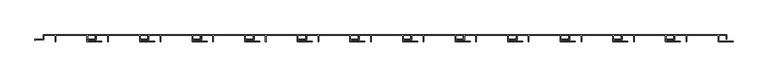
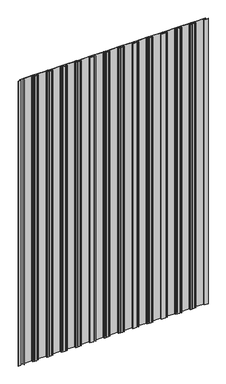
"""IFC4 building model written with IfcOpenShell, lengths in millimetres: proxy geometry."""

from ifc_helpers import new_model, si_unit, point, frame, frame_2d, origin, place, context, project, spatial, polyline, circle_curve, trimmed, segment, composite_curve, outline, extrude, source, transform, mapped, element, save


def generic_models_13b5c3d7(model_context):
    return source(origin(), model_context, "Body", "SweptSolid", [
        extrude(outline(composite_curve([segment(polyline([(2713.7, 0.0), (2713.7, 16.0)]), True, "CONTINUOUS"), segment(trimmed(circle_curve(frame_2d((2713.2, 16.0)), 0.5), [point((2713.7, 16.0))], [point((2713.2, 16.5))], True, "CARTESIAN"), True, "CONTINUOUS"), segment(polyline([(2713.2, 16.5), (2684.2, 16.5)]), True, "CONTINUOUS"), segment(trimmed(circle_curve(frame_2d((2684.2, 16.0)), 0.5), [point((2684.2, 16.5))], [point((2683.7, 16.0))], True, "CARTESIAN"), True, "CONTINUOUS"), segment(polyline([(2683.7, 16.0), (2683.7, 5.3)]), True, "CONTINUOUS"), segment(trimmed(circle_curve(frame_2d((2683.2, 5.3)), 0.5), [point((2683.7, 5.3))], [point((2683.2, 4.8))], False, "CARTESIAN"), True, "CONTINUOUS"), segment(polyline([(2683.2, 4.8), (2661.5, 4.8), (2661.5, 3.6), (2660.0, 3.6), (2660.0, 6.3), (2681.6739146, 6.3)]), True, "CONTINUOUS"), segment(trimmed(circle_curve(frame_2d((2681.6739146, 6.8260854)), 0.5260854), [point((2681.6739146, 6.3))], [point((2682.2, 6.8260854))], True, "CARTESIAN"), True, "CONTINUOUS"), segment(polyline([(2682.2, 6.8260854), (2682.2, 17.5)]), True, "CONTINUOUS"), segment(trimmed(circle_curve(frame_2d((2682.7, 17.5)), 0.5), [point((2682.2, 17.5))], [point((2682.7, 18.0))], False, "CARTESIAN"), True, "CONTINUOUS"), segment(polyline([(2682.7, 18.0), (2821.7, 18.0)]), True, "CONTINUOUS"), segment(trimmed(circle_curve(frame_2d((2821.7, 17.5)), 0.5), [point((2821.7, 18.0))], [point((2822.2, 17.5))], False, "CARTESIAN"), True, "CONTINUOUS"), segment(polyline([(2822.2, 17.5), (2822.2, 6.8), (2820.7, 6.8), (2820.7, 16.0)]), True, "CONTINUOUS"), segment(trimmed(circle_curve(frame_2d((2820.2, 16.0)), 0.5), [point((2820.7, 16.0))], [point((2820.2, 16.5))], True, "CARTESIAN"), True, "CONTINUOUS"), segment(polyline([(2820.2, 16.5), (2800.5, 16.5)]), True, "CONTINUOUS"), segment(trimmed(circle_curve(frame_2d((2800.5, 16.0)), 0.5), [point((2800.5, 16.5))], [point((2800.0, 16.0))], True, "CARTESIAN"), True, "CONTINUOUS"), segment(polyline([(2800.0, 16.0), (2800.0, 2.0)]), True, "CONTINUOUS"), segment(trimmed(circle_curve(frame_2d((2800.5, 2.0)), 0.5), [point((2800.0, 2.0))], [point((2800.5, 1.5))], True, "CARTESIAN"), True, "CONTINUOUS"), segment(polyline([(2800.5, 1.5), (2831.5071068, 1.5), (2838.5, 1.5), (2838.5, 0.0), (2799.0, 0.0)]), True, "CONTINUOUS"), segment(trimmed(circle_curve(frame_2d((2799.0, 0.5)), 0.5), [point((2799.0, 0.0))], [point((2798.5, 0.5))], False, "CARTESIAN"), True, "CONTINUOUS"), segment(polyline([(2798.5, 0.5), (2798.5, 16.0)]), True, "CONTINUOUS"), segment(trimmed(circle_curve(frame_2d((2798.0, 16.0)), 0.5), [point((2798.5, 16.0))], [point((2798.0, 16.5))], True, "CARTESIAN"), True, "CONTINUOUS"), segment(polyline([(2798.0, 16.5), (2715.7106183, 16.5)]), True, "CONTINUOUS"), segment(trimmed(circle_curve(frame_2d((2715.7106183, 15.9893817)), 0.5106183), [point((2715.7106183, 16.5))], [point((2715.2, 15.9893817))], True, "CARTESIAN"), True, "CONTINUOUS"), segment(polyline([(2715.2, 15.9893817), (2715.2, 9.4086959)]), True, "CONTINUOUS"), segment(trimmed(circle_curve(frame_2d((2715.2, 9.1086959)), 0.3), [point((2715.2, 9.4086959))], [point((2715.2, 8.8086959))], False, "CARTESIAN"), True, "CONTINUOUS"), segment(polyline([(2715.2, 8.8086959), (2715.2, 0.0), (2713.7, 0.0)]), True, "CONTINUOUS")], self_intersect=False)), frame((0.0, 0.0, 50.0), z_axis=(0.0, 0.0, 1.0), x_axis=(1.0, 0.0, 0.0)), (0.0, 0.0, 1.0), 2950.0),
        extrude(outline(composite_curve([segment(polyline([(2573.7, 0.0), (2573.7, 16.0)]), True, "CONTINUOUS"), segment(trimmed(circle_curve(frame_2d((2573.2, 16.0)), 0.5), [point((2573.7, 16.0))], [point((2573.2, 16.5))], True, "CARTESIAN"), True, "CONTINUOUS"), segment(polyline([(2573.2, 16.5), (2544.2, 16.5)]), True, "CONTINUOUS"), segment(trimmed(circle_curve(frame_2d((2544.2, 16.0)), 0.5), [point((2544.2, 16.5))], [point((2543.7, 16.0))], True, "CARTESIAN"), True, "CONTINUOUS"), segment(polyline([(2543.7, 16.0), (2543.7, 5.3)]), True, "CONTINUOUS"), segment(trimmed(circle_curve(frame_2d((2543.2, 5.3)), 0.5), [point((2543.7, 5.3))], [point((2543.2, 4.8))], False, "CARTESIAN"), True, "CONTINUOUS"), segment(polyline([(2543.2, 4.8), (2521.5, 4.8), (2521.5, 3.6), (2520.0, 3.6), (2520.0, 6.3), (2541.6739146, 6.3)]), True, "CONTINUOUS"), segment(trimmed(circle_curve(frame_2d((2541.6739146, 6.8260854)), 0.5260854), [point((2541.6739146, 6.3))], [point((2542.2, 6.8260854))], True, "CARTESIAN"), True, "CONTINUOUS"), segment(polyline([(2542.2, 6.8260854), (2542.2, 17.5)]), True, "CONTINUOUS"), segment(trimmed(circle_curve(frame_2d((2542.7, 17.5)), 0.5), [point((2542.2, 17.5))], [point((2542.7, 18.0))], False, "CARTESIAN"), True, "CONTINUOUS"), segment(polyline([(2542.7, 18.0), (2681.7, 18.0)]), True, "CONTINUOUS"), segment(trimmed(circle_curve(frame_2d((2681.7, 17.5)), 0.5), [point((2681.7, 18.0))], [point((2682.2, 17.5))], False, "CARTESIAN"), True, "CONTINUOUS"), segment(polyline([(2682.2, 17.5), (2682.2, 6.8), (2680.7, 6.8), (2680.7, 16.0)]), True, "CONTINUOUS"), segment(trimmed(circle_curve(frame_2d((2680.2, 16.0)), 0.5), [point((2680.7, 16.0))], [point((2680.2, 16.5))], True, "CARTESIAN"), True, "CONTINUOUS"), segment(polyline([(2680.2, 16.5), (2660.5, 16.5)]), True, "CONTINUOUS"), segment(trimmed(circle_curve(frame_2d((2660.5, 16.0)), 0.5), [point((2660.5, 16.5))], [point((2660.0, 16.0))], True, "CARTESIAN"), True, "CONTINUOUS"), segment(polyline([(2660.0, 16.0), (2660.0, 2.0)]), True, "CONTINUOUS"), segment(trimmed(circle_curve(frame_2d((2660.5, 2.0)), 0.5), [point((2660.0, 2.0))], [point((2660.5, 1.5))], True, "CARTESIAN"), True, "CONTINUOUS"), segment(polyline([(2660.5, 1.5), (2691.5071068, 1.5), (2698.5, 1.5), (2698.5, 0.0), (2659.0, 0.0)]), True, "CONTINUOUS"), segment(trimmed(circle_curve(frame_2d((2659.0, 0.5)), 0.5), [point((2659.0, 0.0))], [point((2658.5, 0.5))], False, "CARTESIAN"), True, "CONTINUOUS"), segment(polyline([(2658.5, 0.5), (2658.5, 16.0)]), True, "CONTINUOUS"), segment(trimmed(circle_curve(frame_2d((2658.0, 16.0)), 0.5), [point((2658.5, 16.0))], [point((2658.0, 16.5))], True, "CARTESIAN"), True, "CONTINUOUS"), segment(polyline([(2658.0, 16.5), (2575.7106183, 16.5)]), True, "CONTINUOUS"), segment(trimmed(circle_curve(frame_2d((2575.7106183, 15.9893817)), 0.5106183), [point((2575.7106183, 16.5))], [point((2575.2, 15.9893817))], True, "CARTESIAN"), True, "CONTINUOUS"), segment(polyline([(2575.2, 15.9893817), (2575.2, 9.4086959)]), True, "CONTINUOUS"), segment(trimmed(circle_curve(frame_2d((2575.2, 9.1086959)), 0.3), [point((2575.2, 9.4086959))], [point((2575.2, 8.8086959))], False, "CARTESIAN"), True, "CONTINUOUS"), segment(polyline([(2575.2, 8.8086959), (2575.2, 0.0), (2573.7, 0.0)]), True, "CONTINUOUS")], self_intersect=False)), frame((0.0, 0.0, 50.0), z_axis=(0.0, 0.0, 1.0), x_axis=(1.0, 0.0, 0.0)), (0.0, 0.0, 1.0), 2950.0),
        extrude(outline(composite_curve([segment(polyline([(2433.7, 0.0), (2433.7, 16.0)]), True, "CONTINUOUS"), segment(trimmed(circle_curve(frame_2d((2433.2, 16.0)), 0.5), [point((2433.7, 16.0))], [point((2433.2, 16.5))], True, "CARTESIAN"), True, "CONTINUOUS"), segment(polyline([(2433.2, 16.5), (2404.2, 16.5)]), True, "CONTINUOUS"), segment(trimmed(circle_curve(frame_2d((2404.2, 16.0)), 0.5), [point((2404.2, 16.5))], [point((2403.7, 16.0))], True, "CARTESIAN"), True, "CONTINUOUS"), segment(polyline([(2403.7, 16.0), (2403.7, 5.3)]), True, "CONTINUOUS"), segment(trimmed(circle_curve(frame_2d((2403.2, 5.3)), 0.5), [point((2403.7, 5.3))], [point((2403.2, 4.8))], False, "CARTESIAN"), True, "CONTINUOUS"), segment(polyline([(2403.2, 4.8), (2381.5, 4.8), (2381.5, 3.6), (2380.0, 3.6), (2380.0, 6.3), (2401.6739146, 6.3)]), True, "CONTINUOUS"), segment(trimmed(circle_curve(frame_2d((2401.6739146, 6.8260854)), 0.5260854), [point((2401.6739146, 6.3))], [point((2402.2, 6.8260854))], True, "CARTESIAN"), True, "CONTINUOUS"), segment(polyline([(2402.2, 6.8260854), (2402.2, 17.5)]), True, "CONTINUOUS"), segment(trimmed(circle_curve(frame_2d((2402.7, 17.5)), 0.5), [point((2402.2, 17.5))], [point((2402.7, 18.0))], False, "CARTESIAN"), True, "CONTINUOUS"), segment(polyline([(2402.7, 18.0), (2541.7, 18.0)]), True, "CONTINUOUS"), segment(trimmed(circle_curve(frame_2d((2541.7, 17.5)), 0.5), [point((2541.7, 18.0))], [point((2542.2, 17.5))], False, "CARTESIAN"), True, "CONTINUOUS"), segment(polyline([(2542.2, 17.5), (2542.2, 6.8), (2540.7, 6.8), (2540.7, 16.0)]), True, "CONTINUOUS"), segment(trimmed(circle_curve(frame_2d((2540.2, 16.0)), 0.5), [point((2540.7, 16.0))], [point((2540.2, 16.5))], True, "CARTESIAN"), True, "CONTINUOUS"), segment(polyline([(2540.2, 16.5), (2520.5, 16.5)]), True, "CONTINUOUS"), segment(trimmed(circle_curve(frame_2d((2520.5, 16.0)), 0.5), [point((2520.5, 16.5))], [point((2520.0, 16.0))], True, "CARTESIAN"), True, "CONTINUOUS"), segment(polyline([(2520.0, 16.0), (2520.0, 2.0)]), True, "CONTINUOUS"), segment(trimmed(circle_curve(frame_2d((2520.5, 2.0)), 0.5), [point((2520.0, 2.0))], [point((2520.5, 1.5))], True, "CARTESIAN"), True, "CONTINUOUS"), segment(polyline([(2520.5, 1.5), (2551.5071068, 1.5), (2558.5, 1.5), (2558.5, 0.0), (2519.0, 0.0)]), True, "CONTINUOUS"), segment(trimmed(circle_curve(frame_2d((2519.0, 0.5)), 0.5), [point((2519.0, 0.0))], [point((2518.5, 0.5))], False, "CARTESIAN"), True, "CONTINUOUS"), segment(polyline([(2518.5, 0.5), (2518.5, 16.0)]), True, "CONTINUOUS"), segment(trimmed(circle_curve(frame_2d((2518.0, 16.0)), 0.5), [point((2518.5, 16.0))], [point((2518.0, 16.5))], True, "CARTESIAN"), True, "CONTINUOUS"), segment(polyline([(2518.0, 16.5), (2435.7106183, 16.5)]), True, "CONTINUOUS"), segment(trimmed(circle_curve(frame_2d((2435.7106183, 15.9893817)), 0.5106183), [point((2435.7106183, 16.5))], [point((2435.2, 15.9893817))], True, "CARTESIAN"), True, "CONTINUOUS"), segment(polyline([(2435.2, 15.9893817), (2435.2, 9.4086959)]), True, "CONTINUOUS"), segment(trimmed(circle_curve(frame_2d((2435.2, 9.1086959)), 0.3), [point((2435.2, 9.4086959))], [point((2435.2, 8.8086959))], False, "CARTESIAN"), True, "CONTINUOUS"), segment(polyline([(2435.2, 8.8086959), (2435.2, 0.0), (2433.7, 0.0)]), True, "CONTINUOUS")], self_intersect=False)), frame((0.0, 0.0, 50.0), z_axis=(0.0, 0.0, 1.0), x_axis=(1.0, 0.0, 0.0)), (0.0, 0.0, 1.0), 2950.0),
        extrude(outline(composite_curve([segment(polyline([(2293.7, 0.0), (2293.7, 16.0)]), True, "CONTINUOUS"), segment(trimmed(circle_curve(frame_2d((2293.2, 16.0)), 0.5), [point((2293.7, 16.0))], [point((2293.2, 16.5))], True, "CARTESIAN"), True, "CONTINUOUS"), segment(polyline([(2293.2, 16.5), (2264.2, 16.5)]), True, "CONTINUOUS"), segment(trimmed(circle_curve(frame_2d((2264.2, 16.0)), 0.5), [point((2264.2, 16.5))], [point((2263.7, 16.0))], True, "CARTESIAN"), True, "CONTINUOUS"), segment(polyline([(2263.7, 16.0), (2263.7, 5.3)]), True, "CONTINUOUS"), segment(trimmed(circle_curve(frame_2d((2263.2, 5.3)), 0.5), [point((2263.7, 5.3))], [point((2263.2, 4.8))], False, "CARTESIAN"), True, "CONTINUOUS"), segment(polyline([(2263.2, 4.8), (2241.5, 4.8), (2241.5, 3.6), (2240.0, 3.6), (2240.0, 6.3), (2261.6739146, 6.3)]), True, "CONTINUOUS"), segment(trimmed(circle_curve(frame_2d((2261.6739146, 6.8260854)), 0.5260854), [point((2261.6739146, 6.3))], [point((2262.2, 6.8260854))], True, "CARTESIAN"), True, "CONTINUOUS"), segment(polyline([(2262.2, 6.8260854), (2262.2, 17.5)]), True, "CONTINUOUS"), segment(trimmed(circle_curve(frame_2d((2262.7, 17.5)), 0.5), [point((2262.2, 17.5))], [point((2262.7, 18.0))], False, "CARTESIAN"), True, "CONTINUOUS"), segment(polyline([(2262.7, 18.0), (2401.7, 18.0)]), True, "CONTINUOUS"), segment(trimmed(circle_curve(frame_2d((2401.7, 17.5)), 0.5), [point((2401.7, 18.0))], [point((2402.2, 17.5))], False, "CARTESIAN"), True, "CONTINUOUS"), segment(polyline([(2402.2, 17.5), (2402.2, 6.8), (2400.7, 6.8), (2400.7, 16.0)]), True, "CONTINUOUS"), segment(trimmed(circle_curve(frame_2d((2400.2, 16.0)), 0.5), [point((2400.7, 16.0))], [point((2400.2, 16.5))], True, "CARTESIAN"), True, "CONTINUOUS"), segment(polyline([(2400.2, 16.5), (2380.5, 16.5)]), True, "CONTINUOUS"), segment(trimmed(circle_curve(frame_2d((2380.5, 16.0)), 0.5), [point((2380.5, 16.5))], [point((2380.0, 16.0))], True, "CARTESIAN"), True, "CONTINUOUS"), segment(polyline([(2380.0, 16.0), (2380.0, 2.0)]), True, "CONTINUOUS"), segment(trimmed(circle_curve(frame_2d((2380.5, 2.0)), 0.5), [point((2380.0, 2.0))], [point((2380.5, 1.5))], True, "CARTESIAN"), True, "CONTINUOUS"), segment(polyline([(2380.5, 1.5), (2411.5071068, 1.5), (2418.5, 1.5), (2418.5, 0.0), (2379.0, 0.0)]), True, "CONTINUOUS"), segment(trimmed(circle_curve(frame_2d((2379.0, 0.5)), 0.5), [point((2379.0, 0.0))], [point((2378.5, 0.5))], False, "CARTESIAN"), True, "CONTINUOUS"), segment(polyline([(2378.5, 0.5), (2378.5, 16.0)]), True, "CONTINUOUS"), segment(trimmed(circle_curve(frame_2d((2378.0, 16.0)), 0.5), [point((2378.5, 16.0))], [point((2378.0, 16.5))], True, "CARTESIAN"), True, "CONTINUOUS"), segment(polyline([(2378.0, 16.5), (2295.7106183, 16.5)]), True, "CONTINUOUS"), segment(trimmed(circle_curve(frame_2d((2295.7106183, 15.9893817)), 0.5106183), [point((2295.7106183, 16.5))], [point((2295.2, 15.9893817))], True, "CARTESIAN"), True, "CONTINUOUS"), segment(polyline([(2295.2, 15.9893817), (2295.2, 9.4086959)]), True, "CONTINUOUS"), segment(trimmed(circle_curve(frame_2d((2295.2, 9.1086959)), 0.3), [point((2295.2, 9.4086959))], [point((2295.2, 8.8086959))], False, "CARTESIAN"), True, "CONTINUOUS"), segment(polyline([(2295.2, 8.8086959), (2295.2, 0.0), (2293.7, 0.0)]), True, "CONTINUOUS")], self_intersect=False)), frame((0.0, 0.0, 50.0), z_axis=(0.0, 0.0, 1.0), x_axis=(1.0, 0.0, 0.0)), (0.0, 0.0, 1.0), 2950.0),
        extrude(outline(composite_curve([segment(polyline([(2153.7, 0.0), (2153.7, 16.0)]), True, "CONTINUOUS"), segment(trimmed(circle_curve(frame_2d((2153.2, 16.0)), 0.5), [point((2153.7, 16.0))], [point((2153.2, 16.5))], True, "CARTESIAN"), True, "CONTINUOUS"), segment(polyline([(2153.2, 16.5), (2124.2, 16.5)]), True, "CONTINUOUS"), segment(trimmed(circle_curve(frame_2d((2124.2, 16.0)), 0.5), [point((2124.2, 16.5))], [point((2123.7, 16.0))], True, "CARTESIAN"), True, "CONTINUOUS"), segment(polyline([(2123.7, 16.0), (2123.7, 5.3)]), True, "CONTINUOUS"), segment(trimmed(circle_curve(frame_2d((2123.2, 5.3)), 0.5), [point((2123.7, 5.3))], [point((2123.2, 4.8))], False, "CARTESIAN"), True, "CONTINUOUS"), segment(polyline([(2123.2, 4.8), (2101.5, 4.8), (2101.5, 3.6), (2100.0, 3.6), (2100.0, 6.3), (2121.6739146, 6.3)]), True, "CONTINUOUS"), segment(trimmed(circle_curve(frame_2d((2121.6739146, 6.8260854)), 0.5260854), [point((2121.6739146, 6.3))], [point((2122.2, 6.8260854))], True, "CARTESIAN"), True, "CONTINUOUS"), segment(polyline([(2122.2, 6.8260854), (2122.2, 17.5)]), True, "CONTINUOUS"), segment(trimmed(circle_curve(frame_2d((2122.7, 17.5)), 0.5), [point((2122.2, 17.5))], [point((2122.7, 18.0))], False, "CARTESIAN"), True, "CONTINUOUS"), segment(polyline([(2122.7, 18.0), (2261.7, 18.0)]), True, "CONTINUOUS"), segment(trimmed(circle_curve(frame_2d((2261.7, 17.5)), 0.5), [point((2261.7, 18.0))], [point((2262.2, 17.5))], False, "CARTESIAN"), True, "CONTINUOUS"), segment(polyline([(2262.2, 17.5), (2262.2, 6.8), (2260.7, 6.8), (2260.7, 16.0)]), True, "CONTINUOUS"), segment(trimmed(circle_curve(frame_2d((2260.2, 16.0)), 0.5), [point((2260.7, 16.0))], [point((2260.2, 16.5))], True, "CARTESIAN"), True, "CONTINUOUS"), segment(polyline([(2260.2, 16.5), (2240.5, 16.5)]), True, "CONTINUOUS"), segment(trimmed(circle_curve(frame_2d((2240.5, 16.0)), 0.5), [point((2240.5, 16.5))], [point((2240.0, 16.0))], True, "CARTESIAN"), True, "CONTINUOUS"), segment(polyline([(2240.0, 16.0), (2240.0, 2.0)]), True, "CONTINUOUS"), segment(trimmed(circle_curve(frame_2d((2240.5, 2.0)), 0.5), [point((2240.0, 2.0))], [point((2240.5, 1.5))], True, "CARTESIAN"), True, "CONTINUOUS"), segment(polyline([(2240.5, 1.5), (2271.5071068, 1.5), (2278.5, 1.5), (2278.5, 0.0), (2239.0, 0.0)]), True, "CONTINUOUS"), segment(trimmed(circle_curve(frame_2d((2239.0, 0.5)), 0.5), [point((2239.0, 0.0))], [point((2238.5, 0.5))], False, "CARTESIAN"), True, "CONTINUOUS"), segment(polyline([(2238.5, 0.5), (2238.5, 16.0)]), True, "CONTINUOUS"), segment(trimmed(circle_curve(frame_2d((2238.0, 16.0)), 0.5), [point((2238.5, 16.0))], [point((2238.0, 16.5))], True, "CARTESIAN"), True, "CONTINUOUS"), segment(polyline([(2238.0, 16.5), (2155.7106183, 16.5)]), True, "CONTINUOUS"), segment(trimmed(circle_curve(frame_2d((2155.7106183, 15.9893817)), 0.5106183), [point((2155.7106183, 16.5))], [point((2155.2, 15.9893817))], True, "CARTESIAN"), True, "CONTINUOUS"), segment(polyline([(2155.2, 15.9893817), (2155.2, 9.4086959)]), True, "CONTINUOUS"), segment(trimmed(circle_curve(frame_2d((2155.2, 9.1086959)), 0.3), [point((2155.2, 9.4086959))], [point((2155.2, 8.8086959))], False, "CARTESIAN"), True, "CONTINUOUS"), segment(polyline([(2155.2, 8.8086959), (2155.2, 0.0), (2153.7, 0.0)]), True, "CONTINUOUS")], self_intersect=False)), frame((0.0, 0.0, 50.0), z_axis=(0.0, 0.0, 1.0), x_axis=(1.0, 0.0, 0.0)), (0.0, 0.0, 1.0), 2950.0),
        extrude(outline(composite_curve([segment(polyline([(2013.7, 0.0), (2013.7, 16.0)]), True, "CONTINUOUS"), segment(trimmed(circle_curve(frame_2d((2013.2, 16.0)), 0.5), [point((2013.7, 16.0))], [point((2013.2, 16.5))], True, "CARTESIAN"), True, "CONTINUOUS"), segment(polyline([(2013.2, 16.5), (1984.2, 16.5)]), True, "CONTINUOUS"), segment(trimmed(circle_curve(frame_2d((1984.2, 16.0)), 0.5), [point((1984.2, 16.5))], [point((1983.7, 16.0))], True, "CARTESIAN"), True, "CONTINUOUS"), segment(polyline([(1983.7, 16.0), (1983.7, 5.3)]), True, "CONTINUOUS"), segment(trimmed(circle_curve(frame_2d((1983.2, 5.3)), 0.5), [point((1983.7, 5.3))], [point((1983.2, 4.8))], False, "CARTESIAN"), True, "CONTINUOUS"), segment(polyline([(1983.2, 4.8), (1961.5, 4.8), (1961.5, 3.6), (1960.0, 3.6), (1960.0, 6.3), (1981.6739146, 6.3)]), True, "CONTINUOUS"), segment(trimmed(circle_curve(frame_2d((1981.6739146, 6.8260854)), 0.5260854), [point((1981.6739146, 6.3))], [point((1982.2, 6.8260854))], True, "CARTESIAN"), True, "CONTINUOUS"), segment(polyline([(1982.2, 6.8260854), (1982.2, 17.5)]), True, "CONTINUOUS"), segment(trimmed(circle_curve(frame_2d((1982.7, 17.5)), 0.5), [point((1982.2, 17.5))], [point((1982.7, 18.0))], False, "CARTESIAN"), True, "CONTINUOUS"), segment(polyline([(1982.7, 18.0), (2121.7, 18.0)]), True, "CONTINUOUS"), segment(trimmed(circle_curve(frame_2d((2121.7, 17.5)), 0.5), [point((2121.7, 18.0))], [point((2122.2, 17.5))], False, "CARTESIAN"), True, "CONTINUOUS"), segment(polyline([(2122.2, 17.5), (2122.2, 6.8), (2120.7, 6.8), (2120.7, 16.0)]), True, "CONTINUOUS"), segment(trimmed(circle_curve(frame_2d((2120.2, 16.0)), 0.5), [point((2120.7, 16.0))], [point((2120.2, 16.5))], True, "CARTESIAN"), True, "CONTINUOUS"), segment(polyline([(2120.2, 16.5), (2100.5, 16.5)]), True, "CONTINUOUS"), segment(trimmed(circle_curve(frame_2d((2100.5, 16.0)), 0.5), [point((2100.5, 16.5))], [point((2100.0, 16.0))], True, "CARTESIAN"), True, "CONTINUOUS"), segment(polyline([(2100.0, 16.0), (2100.0, 2.0)]), True, "CONTINUOUS"), segment(trimmed(circle_curve(frame_2d((2100.5, 2.0)), 0.5), [point((2100.0, 2.0))], [point((2100.5, 1.5))], True, "CARTESIAN"), True, "CONTINUOUS"), segment(polyline([(2100.5, 1.5), (2131.5071068, 1.5), (2138.5, 1.5), (2138.5, 0.0), (2099.0, 0.0)]), True, "CONTINUOUS"), segment(trimmed(circle_curve(frame_2d((2099.0, 0.5)), 0.5), [point((2099.0, 0.0))], [point((2098.5, 0.5))], False, "CARTESIAN"), True, "CONTINUOUS"), segment(polyline([(2098.5, 0.5), (2098.5, 16.0)]), True, "CONTINUOUS"), segment(trimmed(circle_curve(frame_2d((2098.0, 16.0)), 0.5), [point((2098.5, 16.0))], [point((2098.0, 16.5))], True, "CARTESIAN"), True, "CONTINUOUS"), segment(polyline([(2098.0, 16.5), (2015.7106183, 16.5)]), True, "CONTINUOUS"), segment(trimmed(circle_curve(frame_2d((2015.7106183, 15.9893817)), 0.5106183), [point((2015.7106183, 16.5))], [point((2015.2, 15.9893817))], True, "CARTESIAN"), True, "CONTINUOUS"), segment(polyline([(2015.2, 15.9893817), (2015.2, 9.4086959)]), True, "CONTINUOUS"), segment(trimmed(circle_curve(frame_2d((2015.2, 9.1086959)), 0.3), [point((2015.2, 9.4086959))], [point((2015.2, 8.8086959))], False, "CARTESIAN"), True, "CONTINUOUS"), segment(polyline([(2015.2, 8.8086959), (2015.2, 0.0), (2013.7, 0.0)]), True, "CONTINUOUS")], self_intersect=False)), frame((0.0, 0.0, 50.0), z_axis=(0.0, 0.0, 1.0), x_axis=(1.0, 0.0, 0.0)), (0.0, 0.0, 1.0), 2950.0),
        extrude(outline(composite_curve([segment(polyline([(1873.7, 0.0), (1873.7, 16.0)]), True, "CONTINUOUS"), segment(trimmed(circle_curve(frame_2d((1873.2, 16.0)), 0.5), [point((1873.7, 16.0))], [point((1873.2, 16.5))], True, "CARTESIAN"), True, "CONTINUOUS"), segment(polyline([(1873.2, 16.5), (1844.2, 16.5)]), True, "CONTINUOUS"), segment(trimmed(circle_curve(frame_2d((1844.2, 16.0)), 0.5), [point((1844.2, 16.5))], [point((1843.7, 16.0))], True, "CARTESIAN"), True, "CONTINUOUS"), segment(polyline([(1843.7, 16.0), (1843.7, 5.3)]), True, "CONTINUOUS"), segment(trimmed(circle_curve(frame_2d((1843.2, 5.3)), 0.5), [point((1843.7, 5.3))], [point((1843.2, 4.8))], False, "CARTESIAN"), True, "CONTINUOUS"), segment(polyline([(1843.2, 4.8), (1821.5, 4.8), (1821.5, 3.6), (1820.0, 3.6), (1820.0, 6.3), (1841.6739146, 6.3)]), True, "CONTINUOUS"), segment(trimmed(circle_curve(frame_2d((1841.6739146, 6.8260854)), 0.5260854), [point((1841.6739146, 6.3))], [point((1842.2, 6.8260854))], True, "CARTESIAN"), True, "CONTINUOUS"), segment(polyline([(1842.2, 6.8260854), (1842.2, 17.5)]), True, "CONTINUOUS"), segment(trimmed(circle_curve(frame_2d((1842.7, 17.5)), 0.5), [point((1842.2, 17.5))], [point((1842.7, 18.0))], False, "CARTESIAN"), True, "CONTINUOUS"), segment(polyline([(1842.7, 18.0), (1981.7, 18.0)]), True, "CONTINUOUS"), segment(trimmed(circle_curve(frame_2d((1981.7, 17.5)), 0.5), [point((1981.7, 18.0))], [point((1982.2, 17.5))], False, "CARTESIAN"), True, "CONTINUOUS"), segment(polyline([(1982.2, 17.5), (1982.2, 6.8), (1980.7, 6.8), (1980.7, 16.0)]), True, "CONTINUOUS"), segment(trimmed(circle_curve(frame_2d((1980.2, 16.0)), 0.5), [point((1980.7, 16.0))], [point((1980.2, 16.5))], True, "CARTESIAN"), True, "CONTINUOUS"), segment(polyline([(1980.2, 16.5), (1960.5, 16.5)]), True, "CONTINUOUS"), segment(trimmed(circle_curve(frame_2d((1960.5, 16.0)), 0.5), [point((1960.5, 16.5))], [point((1960.0, 16.0))], True, "CARTESIAN"), True, "CONTINUOUS"), segment(polyline([(1960.0, 16.0), (1960.0, 2.0)]), True, "CONTINUOUS"), segment(trimmed(circle_curve(frame_2d((1960.5, 2.0)), 0.5), [point((1960.0, 2.0))], [point((1960.5, 1.5))], True, "CARTESIAN"), True, "CONTINUOUS"), segment(polyline([(1960.5, 1.5), (1991.5071068, 1.5), (1998.5, 1.5), (1998.5, 0.0), (1959.0, 0.0)]), True, "CONTINUOUS"), segment(trimmed(circle_curve(frame_2d((1959.0, 0.5)), 0.5), [point((1959.0, 0.0))], [point((1958.5, 0.5))], False, "CARTESIAN"), True, "CONTINUOUS"), segment(polyline([(1958.5, 0.5), (1958.5, 16.0)]), True, "CONTINUOUS"), segment(trimmed(circle_curve(frame_2d((1958.0, 16.0)), 0.5), [point((1958.5, 16.0))], [point((1958.0, 16.5))], True, "CARTESIAN"), True, "CONTINUOUS"), segment(polyline([(1958.0, 16.5), (1875.7106183, 16.5)]), True, "CONTINUOUS"), segment(trimmed(circle_curve(frame_2d((1875.7106183, 15.9893817)), 0.5106183), [point((1875.7106183, 16.5))], [point((1875.2, 15.9893817))], True, "CARTESIAN"), True, "CONTINUOUS"), segment(polyline([(1875.2, 15.9893817), (1875.2, 9.4086959)]), True, "CONTINUOUS"), segment(trimmed(circle_curve(frame_2d((1875.2, 9.1086959)), 0.3), [point((1875.2, 9.4086959))], [point((1875.2, 8.8086959))], False, "CARTESIAN"), True, "CONTINUOUS"), segment(polyline([(1875.2, 8.8086959), (1875.2, 0.0), (1873.7, 0.0)]), True, "CONTINUOUS")], self_intersect=False)), frame((0.0, 0.0, 50.0), z_axis=(0.0, 0.0, 1.0), x_axis=(1.0, 0.0, 0.0)), (0.0, 0.0, 1.0), 2950.0),
        extrude(outline(composite_curve([segment(polyline([(1733.7, 0.0), (1733.7, 16.0)]), True, "CONTINUOUS"), segment(trimmed(circle_curve(frame_2d((1733.2, 16.0)), 0.5), [point((1733.7, 16.0))], [point((1733.2, 16.5))], True, "CARTESIAN"), True, "CONTINUOUS"), segment(polyline([(1733.2, 16.5), (1704.2, 16.5)]), True, "CONTINUOUS"), segment(trimmed(circle_curve(frame_2d((1704.2, 16.0)), 0.5), [point((1704.2, 16.5))], [point((1703.7, 16.0))], True, "CARTESIAN"), True, "CONTINUOUS"), segment(polyline([(1703.7, 16.0), (1703.7, 5.3)]), True, "CONTINUOUS"), segment(trimmed(circle_curve(frame_2d((1703.2, 5.3)), 0.5), [point((1703.7, 5.3))], [point((1703.2, 4.8))], False, "CARTESIAN"), True, "CONTINUOUS"), segment(polyline([(1703.2, 4.8), (1681.5, 4.8), (1681.5, 3.6), (1680.0, 3.6), (1680.0, 6.3), (1701.6739146, 6.3)]), True, "CONTINUOUS"), segment(trimmed(circle_curve(frame_2d((1701.6739146, 6.8260854)), 0.5260854), [point((1701.6739146, 6.3))], [point((1702.2, 6.8260854))], True, "CARTESIAN"), True, "CONTINUOUS"), segment(polyline([(1702.2, 6.8260854), (1702.2, 17.5)]), True, "CONTINUOUS"), segment(trimmed(circle_curve(frame_2d((1702.7, 17.5)), 0.5), [point((1702.2, 17.5))], [point((1702.7, 18.0))], False, "CARTESIAN"), True, "CONTINUOUS"), segment(polyline([(1702.7, 18.0), (1841.7, 18.0)]), True, "CONTINUOUS"), segment(trimmed(circle_curve(frame_2d((1841.7, 17.5)), 0.5), [point((1841.7, 18.0))], [point((1842.2, 17.5))], False, "CARTESIAN"), True, "CONTINUOUS"), segment(polyline([(1842.2, 17.5), (1842.2, 6.8), (1840.7, 6.8), (1840.7, 16.0)]), True, "CONTINUOUS"), segment(trimmed(circle_curve(frame_2d((1840.2, 16.0)), 0.5), [point((1840.7, 16.0))], [point((1840.2, 16.5))], True, "CARTESIAN"), True, "CONTINUOUS"), segment(polyline([(1840.2, 16.5), (1820.5, 16.5)]), True, "CONTINUOUS"), segment(trimmed(circle_curve(frame_2d((1820.5, 16.0)), 0.5), [point((1820.5, 16.5))], [point((1820.0, 16.0))], True, "CARTESIAN"), True, "CONTINUOUS"), segment(polyline([(1820.0, 16.0), (1820.0, 2.0)]), True, "CONTINUOUS"), segment(trimmed(circle_curve(frame_2d((1820.5, 2.0)), 0.5), [point((1820.0, 2.0))], [point((1820.5, 1.5))], True, "CARTESIAN"), True, "CONTINUOUS"), segment(polyline([(1820.5, 1.5), (1851.5071068, 1.5), (1858.5, 1.5), (1858.5, 0.0), (1819.0, 0.0)]), True, "CONTINUOUS"), segment(trimmed(circle_curve(frame_2d((1819.0, 0.5)), 0.5), [point((1819.0, 0.0))], [point((1818.5, 0.5))], False, "CARTESIAN"), True, "CONTINUOUS"), segment(polyline([(1818.5, 0.5), (1818.5, 16.0)]), True, "CONTINUOUS"), segment(trimmed(circle_curve(frame_2d((1818.0, 16.0)), 0.5), [point((1818.5, 16.0))], [point((1818.0, 16.5))], True, "CARTESIAN"), True, "CONTINUOUS"), segment(polyline([(1818.0, 16.5), (1735.7106183, 16.5)]), True, "CONTINUOUS"), segment(trimmed(circle_curve(frame_2d((1735.7106183, 15.9893817)), 0.5106183), [point((1735.7106183, 16.5))], [point((1735.2, 15.9893817))], True, "CARTESIAN"), True, "CONTINUOUS"), segment(polyline([(1735.2, 15.9893817), (1735.2, 9.4086959)]), True, "CONTINUOUS"), segment(trimmed(circle_curve(frame_2d((1735.2, 9.1086959)), 0.3), [point((1735.2, 9.4086959))], [point((1735.2, 8.8086959))], False, "CARTESIAN"), True, "CONTINUOUS"), segment(polyline([(1735.2, 8.8086959), (1735.2, 0.0), (1733.7, 0.0)]), True, "CONTINUOUS")], self_intersect=False)), frame((0.0, 0.0, 50.0), z_axis=(0.0, 0.0, 1.0), x_axis=(1.0, 0.0, 0.0)), (0.0, 0.0, 1.0), 2950.0),
        extrude(outline(composite_curve([segment(polyline([(1593.7, 0.0), (1593.7, 16.0)]), True, "CONTINUOUS"), segment(trimmed(circle_curve(frame_2d((1593.2, 16.0)), 0.5), [point((1593.7, 16.0))], [point((1593.2, 16.5))], True, "CARTESIAN"), True, "CONTINUOUS"), segment(polyline([(1593.2, 16.5), (1564.2, 16.5)]), True, "CONTINUOUS"), segment(trimmed(circle_curve(frame_2d((1564.2, 16.0)), 0.5), [point((1564.2, 16.5))], [point((1563.7, 16.0))], True, "CARTESIAN"), True, "CONTINUOUS"), segment(polyline([(1563.7, 16.0), (1563.7, 5.3)]), True, "CONTINUOUS"), segment(trimmed(circle_curve(frame_2d((1563.2, 5.3)), 0.5), [point((1563.7, 5.3))], [point((1563.2, 4.8))], False, "CARTESIAN"), True, "CONTINUOUS"), segment(polyline([(1563.2, 4.8), (1541.5, 4.8), (1541.5, 3.6), (1540.0, 3.6), (1540.0, 6.3), (1561.6739146, 6.3)]), True, "CONTINUOUS"), segment(trimmed(circle_curve(frame_2d((1561.6739146, 6.8260854)), 0.5260854), [point((1561.6739146, 6.3))], [point((1562.2, 6.8260854))], True, "CARTESIAN"), True, "CONTINUOUS"), segment(polyline([(1562.2, 6.8260854), (1562.2, 17.5)]), True, "CONTINUOUS"), segment(trimmed(circle_curve(frame_2d((1562.7, 17.5)), 0.5), [point((1562.2, 17.5))], [point((1562.7, 18.0))], False, "CARTESIAN"), True, "CONTINUOUS"), segment(polyline([(1562.7, 18.0), (1701.7, 18.0)]), True, "CONTINUOUS"), segment(trimmed(circle_curve(frame_2d((1701.7, 17.5)), 0.5), [point((1701.7, 18.0))], [point((1702.2, 17.5))], False, "CARTESIAN"), True, "CONTINUOUS"), segment(polyline([(1702.2, 17.5), (1702.2, 6.8), (1700.7, 6.8), (1700.7, 16.0)]), True, "CONTINUOUS"), segment(trimmed(circle_curve(frame_2d((1700.2, 16.0)), 0.5), [point((1700.7, 16.0))], [point((1700.2, 16.5))], True, "CARTESIAN"), True, "CONTINUOUS"), segment(polyline([(1700.2, 16.5), (1680.5, 16.5)]), True, "CONTINUOUS"), segment(trimmed(circle_curve(frame_2d((1680.5, 16.0)), 0.5), [point((1680.5, 16.5))], [point((1680.0, 16.0))], True, "CARTESIAN"), True, "CONTINUOUS"), segment(polyline([(1680.0, 16.0), (1680.0, 2.0)]), True, "CONTINUOUS"), segment(trimmed(circle_curve(frame_2d((1680.5, 2.0)), 0.5), [point((1680.0, 2.0))], [point((1680.5, 1.5))], True, "CARTESIAN"), True, "CONTINUOUS"), segment(polyline([(1680.5, 1.5), (1711.5071068, 1.5), (1718.5, 1.5), (1718.5, 0.0), (1679.0, 0.0)]), True, "CONTINUOUS"), segment(trimmed(circle_curve(frame_2d((1679.0, 0.5)), 0.5), [point((1679.0, 0.0))], [point((1678.5, 0.5))], False, "CARTESIAN"), True, "CONTINUOUS"), segment(polyline([(1678.5, 0.5), (1678.5, 16.0)]), True, "CONTINUOUS"), segment(trimmed(circle_curve(frame_2d((1678.0, 16.0)), 0.5), [point((1678.5, 16.0))], [point((1678.0, 16.5))], True, "CARTESIAN"), True, "CONTINUOUS"), segment(polyline([(1678.0, 16.5), (1595.7106183, 16.5)]), True, "CONTINUOUS"), segment(trimmed(circle_curve(frame_2d((1595.7106183, 15.9893817)), 0.5106183), [point((1595.7106183, 16.5))], [point((1595.2, 15.9893817))], True, "CARTESIAN"), True, "CONTINUOUS"), segment(polyline([(1595.2, 15.9893817), (1595.2, 9.4086959)]), True, "CONTINUOUS"), segment(trimmed(circle_curve(frame_2d((1595.2, 9.1086959)), 0.3), [point((1595.2, 9.4086959))], [point((1595.2, 8.8086959))], False, "CARTESIAN"), True, "CONTINUOUS"), segment(polyline([(1595.2, 8.8086959), (1595.2, 0.0), (1593.7, 0.0)]), True, "CONTINUOUS")], self_intersect=False)), frame((0.0, 0.0, 50.0), z_axis=(0.0, 0.0, 1.0), x_axis=(1.0, 0.0, 0.0)), (0.0, 0.0, 1.0), 2950.0),
        extrude(outline(composite_curve([segment(polyline([(1453.7, 0.0), (1453.7, 16.0)]), True, "CONTINUOUS"), segment(trimmed(circle_curve(frame_2d((1453.2, 16.0)), 0.5), [point((1453.7, 16.0))], [point((1453.2, 16.5))], True, "CARTESIAN"), True, "CONTINUOUS"), segment(polyline([(1453.2, 16.5), (1424.2, 16.5)]), True, "CONTINUOUS"), segment(trimmed(circle_curve(frame_2d((1424.2, 16.0)), 0.5), [point((1424.2, 16.5))], [point((1423.7, 16.0))], True, "CARTESIAN"), True, "CONTINUOUS"), segment(polyline([(1423.7, 16.0), (1423.7, 5.3)]), True, "CONTINUOUS"), segment(trimmed(circle_curve(frame_2d((1423.2, 5.3)), 0.5), [point((1423.7, 5.3))], [point((1423.2, 4.8))], False, "CARTESIAN"), True, "CONTINUOUS"), segment(polyline([(1423.2, 4.8), (1401.5, 4.8), (1401.5, 3.6), (1400.0, 3.6), (1400.0, 6.3), (1421.6739146, 6.3)]), True, "CONTINUOUS"), segment(trimmed(circle_curve(frame_2d((1421.6739146, 6.8260854)), 0.5260854), [point((1421.6739146, 6.3))], [point((1422.2, 6.8260854))], True, "CARTESIAN"), True, "CONTINUOUS"), segment(polyline([(1422.2, 6.8260854), (1422.2, 17.5)]), True, "CONTINUOUS"), segment(trimmed(circle_curve(frame_2d((1422.7, 17.5)), 0.5), [point((1422.2, 17.5))], [point((1422.7, 18.0))], False, "CARTESIAN"), True, "CONTINUOUS"), segment(polyline([(1422.7, 18.0), (1561.7, 18.0)]), True, "CONTINUOUS"), segment(trimmed(circle_curve(frame_2d((1561.7, 17.5)), 0.5), [point((1561.7, 18.0))], [point((1562.2, 17.5))], False, "CARTESIAN"), True, "CONTINUOUS"), segment(polyline([(1562.2, 17.5), (1562.2, 6.8), (1560.7, 6.8), (1560.7, 16.0)]), True, "CONTINUOUS"), segment(trimmed(circle_curve(frame_2d((1560.2, 16.0)), 0.5), [point((1560.7, 16.0))], [point((1560.2, 16.5))], True, "CARTESIAN"), True, "CONTINUOUS"), segment(polyline([(1560.2, 16.5), (1540.5, 16.5)]), True, "CONTINUOUS"), segment(trimmed(circle_curve(frame_2d((1540.5, 16.0)), 0.5), [point((1540.5, 16.5))], [point((1540.0, 16.0))], True, "CARTESIAN"), True, "CONTINUOUS"), segment(polyline([(1540.0, 16.0), (1540.0, 2.0)]), True, "CONTINUOUS"), segment(trimmed(circle_curve(frame_2d((1540.5, 2.0)), 0.5), [point((1540.0, 2.0))], [point((1540.5, 1.5))], True, "CARTESIAN"), True, "CONTINUOUS"), segment(polyline([(1540.5, 1.5), (1571.5071068, 1.5), (1578.5, 1.5), (1578.5, 0.0), (1539.0, 0.0)]), True, "CONTINUOUS"), segment(trimmed(circle_curve(frame_2d((1539.0, 0.5)), 0.5), [point((1539.0, 0.0))], [point((1538.5, 0.5))], False, "CARTESIAN"), True, "CONTINUOUS"), segment(polyline([(1538.5, 0.5), (1538.5, 16.0)]), True, "CONTINUOUS"), segment(trimmed(circle_curve(frame_2d((1538.0, 16.0)), 0.5), [point((1538.5, 16.0))], [point((1538.0, 16.5))], True, "CARTESIAN"), True, "CONTINUOUS"), segment(polyline([(1538.0, 16.5), (1455.7106183, 16.5)]), True, "CONTINUOUS"), segment(trimmed(circle_curve(frame_2d((1455.7106183, 15.9893817)), 0.5106183), [point((1455.7106183, 16.5))], [point((1455.2, 15.9893817))], True, "CARTESIAN"), True, "CONTINUOUS"), segment(polyline([(1455.2, 15.9893817), (1455.2, 9.4086959)]), True, "CONTINUOUS"), segment(trimmed(circle_curve(frame_2d((1455.2, 9.1086959)), 0.3), [point((1455.2, 9.4086959))], [point((1455.2, 8.8086959))], False, "CARTESIAN"), True, "CONTINUOUS"), segment(polyline([(1455.2, 8.8086959), (1455.2, 0.0), (1453.7, 0.0)]), True, "CONTINUOUS")], self_intersect=False)), frame((0.0, 0.0, 50.0), z_axis=(0.0, 0.0, 1.0), x_axis=(1.0, 0.0, 0.0)), (0.0, 0.0, 1.0), 2950.0),
        extrude(outline(composite_curve([segment(polyline([(1313.7, 0.0), (1313.7, 16.0)]), True, "CONTINUOUS"), segment(trimmed(circle_curve(frame_2d((1313.2, 16.0)), 0.5), [point((1313.7, 16.0))], [point((1313.2, 16.5))], True, "CARTESIAN"), True, "CONTINUOUS"), segment(polyline([(1313.2, 16.5), (1284.2, 16.5)]), True, "CONTINUOUS"), segment(trimmed(circle_curve(frame_2d((1284.2, 16.0)), 0.5), [point((1284.2, 16.5))], [point((1283.7, 16.0))], True, "CARTESIAN"), True, "CONTINUOUS"), segment(polyline([(1283.7, 16.0), (1283.7, 5.3)]), True, "CONTINUOUS"), segment(trimmed(circle_curve(frame_2d((1283.2, 5.3)), 0.5), [point((1283.7, 5.3))], [point((1283.2, 4.8))], False, "CARTESIAN"), True, "CONTINUOUS"), segment(polyline([(1283.2, 4.8), (1261.5, 4.8), (1261.5, 3.6), (1260.0, 3.6), (1260.0, 6.3), (1281.6739146, 6.3)]), True, "CONTINUOUS"), segment(trimmed(circle_curve(frame_2d((1281.6739146, 6.8260854)), 0.5260854), [point((1281.6739146, 6.3))], [point((1282.2, 6.8260854))], True, "CARTESIAN"), True, "CONTINUOUS"), segment(polyline([(1282.2, 6.8260854), (1282.2, 17.5)]), True, "CONTINUOUS"), segment(trimmed(circle_curve(frame_2d((1282.7, 17.5)), 0.5), [point((1282.2, 17.5))], [point((1282.7, 18.0))], False, "CARTESIAN"), True, "CONTINUOUS"), segment(polyline([(1282.7, 18.0), (1421.7, 18.0)]), True, "CONTINUOUS"), segment(trimmed(circle_curve(frame_2d((1421.7, 17.5)), 0.5), [point((1421.7, 18.0))], [point((1422.2, 17.5))], False, "CARTESIAN"), True, "CONTINUOUS"), segment(polyline([(1422.2, 17.5), (1422.2, 6.8), (1420.7, 6.8), (1420.7, 16.0)]), True, "CONTINUOUS"), segment(trimmed(circle_curve(frame_2d((1420.2, 16.0)), 0.5), [point((1420.7, 16.0))], [point((1420.2, 16.5))], True, "CARTESIAN"), True, "CONTINUOUS"), segment(polyline([(1420.2, 16.5), (1400.5, 16.5)]), True, "CONTINUOUS"), segment(trimmed(circle_curve(frame_2d((1400.5, 16.0)), 0.5), [point((1400.5, 16.5))], [point((1400.0, 16.0))], True, "CARTESIAN"), True, "CONTINUOUS"), segment(polyline([(1400.0, 16.0), (1400.0, 2.0)]), True, "CONTINUOUS"), segment(trimmed(circle_curve(frame_2d((1400.5, 2.0)), 0.5), [point((1400.0, 2.0))], [point((1400.5, 1.5))], True, "CARTESIAN"), True, "CONTINUOUS"), segment(polyline([(1400.5, 1.5), (1431.5071068, 1.5), (1438.5, 1.5), (1438.5, 0.0), (1399.0, 0.0)]), True, "CONTINUOUS"), segment(trimmed(circle_curve(frame_2d((1399.0, 0.5)), 0.5), [point((1399.0, 0.0))], [point((1398.5, 0.5))], False, "CARTESIAN"), True, "CONTINUOUS"), segment(polyline([(1398.5, 0.5), (1398.5, 16.0)]), True, "CONTINUOUS"), segment(trimmed(circle_curve(frame_2d((1398.0, 16.0)), 0.5), [point((1398.5, 16.0))], [point((1398.0, 16.5))], True, "CARTESIAN"), True, "CONTINUOUS"), segment(polyline([(1398.0, 16.5), (1315.7106183, 16.5)]), True, "CONTINUOUS"), segment(trimmed(circle_curve(frame_2d((1315.7106183, 15.9893817)), 0.5106183), [point((1315.7106183, 16.5))], [point((1315.2, 15.9893817))], True, "CARTESIAN"), True, "CONTINUOUS"), segment(polyline([(1315.2, 15.9893817), (1315.2, 9.4086959)]), True, "CONTINUOUS"), segment(trimmed(circle_curve(frame_2d((1315.2, 9.1086959)), 0.3), [point((1315.2, 9.4086959))], [point((1315.2, 8.8086959))], False, "CARTESIAN"), True, "CONTINUOUS"), segment(polyline([(1315.2, 8.8086959), (1315.2, 0.0), (1313.7, 0.0)]), True, "CONTINUOUS")], self_intersect=False)), frame((0.0, 0.0, 50.0), z_axis=(0.0, 0.0, 1.0), x_axis=(1.0, 0.0, 0.0)), (0.0, 0.0, 1.0), 2950.0),
        extrude(outline(composite_curve([segment(polyline([(1173.7, 0.0), (1173.7, 16.0)]), True, "CONTINUOUS"), segment(trimmed(circle_curve(frame_2d((1173.2, 16.0)), 0.5), [point((1173.7, 16.0))], [point((1173.2, 16.5))], True, "CARTESIAN"), True, "CONTINUOUS"), segment(polyline([(1173.2, 16.5), (1144.2, 16.5)]), True, "CONTINUOUS"), segment(trimmed(circle_curve(frame_2d((1144.2, 16.0)), 0.5), [point((1144.2, 16.5))], [point((1143.7, 16.0))], True, "CARTESIAN"), True, "CONTINUOUS"), segment(polyline([(1143.7, 16.0), (1143.7, 5.3)]), True, "CONTINUOUS"), segment(trimmed(circle_curve(frame_2d((1143.2, 5.3)), 0.5), [point((1143.7, 5.3))], [point((1143.2, 4.8))], False, "CARTESIAN"), True, "CONTINUOUS"), segment(polyline([(1143.2, 4.8), (1121.5, 4.8), (1121.5, 3.6), (1120.0, 3.6), (1120.0, 6.3), (1141.6739146, 6.3)]), True, "CONTINUOUS"), segment(trimmed(circle_curve(frame_2d((1141.6739146, 6.8260854)), 0.5260854), [point((1141.6739146, 6.3))], [point((1142.2, 6.8260854))], True, "CARTESIAN"), True, "CONTINUOUS"), segment(polyline([(1142.2, 6.8260854), (1142.2, 17.5)]), True, "CONTINUOUS"), segment(trimmed(circle_curve(frame_2d((1142.7, 17.5)), 0.5), [point((1142.2, 17.5))], [point((1142.7, 18.0))], False, "CARTESIAN"), True, "CONTINUOUS"), segment(polyline([(1142.7, 18.0), (1281.7, 18.0)]), True, "CONTINUOUS"), segment(trimmed(circle_curve(frame_2d((1281.7, 17.5)), 0.5), [point((1281.7, 18.0))], [point((1282.2, 17.5))], False, "CARTESIAN"), True, "CONTINUOUS"), segment(polyline([(1282.2, 17.5), (1282.2, 6.8), (1280.7, 6.8), (1280.7, 16.0)]), True, "CONTINUOUS"), segment(trimmed(circle_curve(frame_2d((1280.2, 16.0)), 0.5), [point((1280.7, 16.0))], [point((1280.2, 16.5))], True, "CARTESIAN"), True, "CONTINUOUS"), segment(polyline([(1280.2, 16.5), (1260.5, 16.5)]), True, "CONTINUOUS"), segment(trimmed(circle_curve(frame_2d((1260.5, 16.0)), 0.5), [point((1260.5, 16.5))], [point((1260.0, 16.0))], True, "CARTESIAN"), True, "CONTINUOUS"), segment(polyline([(1260.0, 16.0), (1260.0, 2.0)]), True, "CONTINUOUS"), segment(trimmed(circle_curve(frame_2d((1260.5, 2.0)), 0.5), [point((1260.0, 2.0))], [point((1260.5, 1.5))], True, "CARTESIAN"), True, "CONTINUOUS"), segment(polyline([(1260.5, 1.5), (1291.5071068, 1.5), (1298.5, 1.5), (1298.5, 0.0), (1259.0, 0.0)]), True, "CONTINUOUS"), segment(trimmed(circle_curve(frame_2d((1259.0, 0.5)), 0.5), [point((1259.0, 0.0))], [point((1258.5, 0.5))], False, "CARTESIAN"), True, "CONTINUOUS"), segment(polyline([(1258.5, 0.5), (1258.5, 16.0)]), True, "CONTINUOUS"), segment(trimmed(circle_curve(frame_2d((1258.0, 16.0)), 0.5), [point((1258.5, 16.0))], [point((1258.0, 16.5))], True, "CARTESIAN"), True, "CONTINUOUS"), segment(polyline([(1258.0, 16.5), (1175.7106183, 16.5)]), True, "CONTINUOUS"), segment(trimmed(circle_curve(frame_2d((1175.7106183, 15.9893817)), 0.5106183), [point((1175.7106183, 16.5))], [point((1175.2, 15.9893817))], True, "CARTESIAN"), True, "CONTINUOUS"), segment(polyline([(1175.2, 15.9893817), (1175.2, 9.4086959)]), True, "CONTINUOUS"), segment(trimmed(circle_curve(frame_2d((1175.2, 9.1086959)), 0.3), [point((1175.2, 9.4086959))], [point((1175.2, 8.8086959))], False, "CARTESIAN"), True, "CONTINUOUS"), segment(polyline([(1175.2, 8.8086959), (1175.2, 0.0), (1173.7, 0.0)]), True, "CONTINUOUS")], self_intersect=False)), frame((0.0, 0.0, 50.0), z_axis=(0.0, 0.0, 1.0), x_axis=(1.0, 0.0, 0.0)), (0.0, 0.0, 1.0), 2950.0),
        extrude(outline(composite_curve([segment(polyline([(1033.7, 0.0), (1033.7, 16.0)]), True, "CONTINUOUS"), segment(trimmed(circle_curve(frame_2d((1033.2, 16.0)), 0.5), [point((1033.7, 16.0))], [point((1033.2, 16.5))], True, "CARTESIAN"), True, "CONTINUOUS"), segment(polyline([(1033.2, 16.5), (1004.2, 16.5)]), True, "CONTINUOUS"), segment(trimmed(circle_curve(frame_2d((1004.2, 16.0)), 0.5), [point((1004.2, 16.5))], [point((1003.7, 16.0))], True, "CARTESIAN"), True, "CONTINUOUS"), segment(polyline([(1003.7, 16.0), (1003.7, 5.3)]), True, "CONTINUOUS"), segment(trimmed(circle_curve(frame_2d((1003.2, 5.3)), 0.5), [point((1003.7, 5.3))], [point((1003.2, 4.8))], False, "CARTESIAN"), True, "CONTINUOUS"), segment(polyline([(1003.2, 4.8), (981.5, 4.8), (981.5, 3.6), (980.0, 3.6), (980.0, 6.3), (1001.6739146, 6.3)]), True, "CONTINUOUS"), segment(trimmed(circle_curve(frame_2d((1001.6739146, 6.8260854)), 0.5260854), [point((1001.6739146, 6.3))], [point((1002.2, 6.8260854))], True, "CARTESIAN"), True, "CONTINUOUS"), segment(polyline([(1002.2, 6.8260854), (1002.2, 17.5)]), True, "CONTINUOUS"), segment(trimmed(circle_curve(frame_2d((1002.7, 17.5)), 0.5), [point((1002.2, 17.5))], [point((1002.7, 18.0))], False, "CARTESIAN"), True, "CONTINUOUS"), segment(polyline([(1002.7, 18.0), (1141.7, 18.0)]), True, "CONTINUOUS"), segment(trimmed(circle_curve(frame_2d((1141.7, 17.5)), 0.5), [point((1141.7, 18.0))], [point((1142.2, 17.5))], False, "CARTESIAN"), True, "CONTINUOUS"), segment(polyline([(1142.2, 17.5), (1142.2, 6.8), (1140.7, 6.8), (1140.7, 16.0)]), True, "CONTINUOUS"), segment(trimmed(circle_curve(frame_2d((1140.2, 16.0)), 0.5), [point((1140.7, 16.0))], [point((1140.2, 16.5))], True, "CARTESIAN"), True, "CONTINUOUS"), segment(polyline([(1140.2, 16.5), (1120.5, 16.5)]), True, "CONTINUOUS"), segment(trimmed(circle_curve(frame_2d((1120.5, 16.0)), 0.5), [point((1120.5, 16.5))], [point((1120.0, 16.0))], True, "CARTESIAN"), True, "CONTINUOUS"), segment(polyline([(1120.0, 16.0), (1120.0, 2.0)]), True, "CONTINUOUS"), segment(trimmed(circle_curve(frame_2d((1120.5, 2.0)), 0.5), [point((1120.0, 2.0))], [point((1120.5, 1.5))], True, "CARTESIAN"), True, "CONTINUOUS"), segment(polyline([(1120.5, 1.5), (1151.5071068, 1.5), (1158.5, 1.5), (1158.5, 0.0), (1119.0, 0.0)]), True, "CONTINUOUS"), segment(trimmed(circle_curve(frame_2d((1119.0, 0.5)), 0.5), [point((1119.0, 0.0))], [point((1118.5, 0.5))], False, "CARTESIAN"), True, "CONTINUOUS"), segment(polyline([(1118.5, 0.5), (1118.5, 16.0)]), True, "CONTINUOUS"), segment(trimmed(circle_curve(frame_2d((1118.0, 16.0)), 0.5), [point((1118.5, 16.0))], [point((1118.0, 16.5))], True, "CARTESIAN"), True, "CONTINUOUS"), segment(polyline([(1118.0, 16.5), (1035.7106183, 16.5)]), True, "CONTINUOUS"), segment(trimmed(circle_curve(frame_2d((1035.7106183, 15.9893817)), 0.5106183), [point((1035.7106183, 16.5))], [point((1035.2, 15.9893817))], True, "CARTESIAN"), True, "CONTINUOUS"), segment(polyline([(1035.2, 15.9893817), (1035.2, 9.4086959)]), True, "CONTINUOUS"), segment(trimmed(circle_curve(frame_2d((1035.2, 9.1086959)), 0.3), [point((1035.2, 9.4086959))], [point((1035.2, 8.8086959))], False, "CARTESIAN"), True, "CONTINUOUS"), segment(polyline([(1035.2, 8.8086959), (1035.2, 0.0), (1033.7, 0.0)]), True, "CONTINUOUS")], self_intersect=False)), frame((0.0, 0.0, 50.0), z_axis=(0.0, 0.0, 1.0), x_axis=(1.0, 0.0, 0.0)), (0.0, 0.0, 1.0), 2950.0),
    ])


if __name__ == "__main__":
    model = new_model("IFC4")
    model_context = context("Model", 3, world=origin())
    ifc_project = project(units=[si_unit("LENGTHUNIT", "METRE", prefix="MILLI")], contexts=[model_context])
    site = spatial("IfcSite", under=ifc_project)
    building = spatial("IfcBuilding", under=site)
    placement = place(None, origin())
    generic_models_shape = generic_models_13b5c3d7(model_context)
    element("IfcBuildingElementProxy", 1, Name="Generic Models", at=placement, inside=building, context=model_context, shape_type="MappedRepresentation", body=[
        mapped(generic_models_shape, transform((0.0, 0.0, 0.0), x_axis=(1.0, 0.0, 0.0), y_axis=(0.0, 1.0, 0.0), z_axis=(0.0, 0.0, 1.0))),
    ])
    save(model, "model.ifc")
